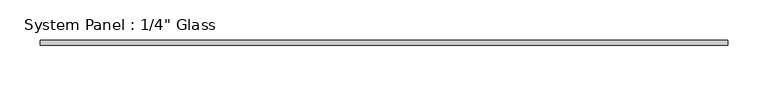
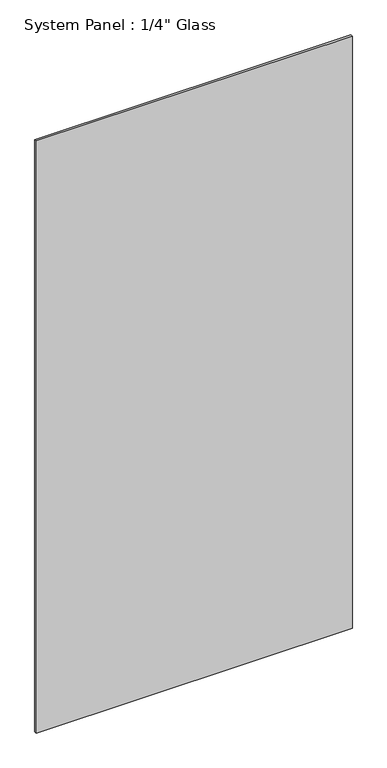
"""IFC4 building model written with IfcOpenShell, lengths in millimetres: plate geometry."""

from ifc_helpers import new_model, si_unit, origin, origin_with_axes, place, context, project, spatial, polyline, outline, extrude, source, transform, mapped, element, save


def plate_3b65e878(model_context):
    return source(origin(), model_context, "Body", "SweptSolid", [
        extrude(outline(polyline([(428.3099054, -3.175), (-428.3099054, -3.175), (-428.3099054, 3.175), (428.3099054, 3.175), (428.3099054, -3.175)])), origin_with_axes(), (0.0, 0.0, 1.0), 1695.45),
    ])


if __name__ == "__main__":
    model = new_model("IFC4")
    model_context = context("Model", 3, world=origin())
    ifc_project = project(units=[si_unit("LENGTHUNIT", "METRE", prefix="MILLI")], contexts=[model_context])
    site = spatial("IfcSite", under=ifc_project)
    building = spatial("IfcBuilding", under=site)
    placement = place(None, origin())
    plate_shape = plate_3b65e878(model_context)
    element("IfcPlate", 1, ObjectType="System Panel : 1/4\" Glass", at=placement, inside=building, context=model_context, shape_type="MappedRepresentation", body=[
        mapped(plate_shape, transform((0.0, 0.0, 0.0), x_axis=(1.0, 0.0, 0.0), y_axis=(0.0, 1.0, 0.0), z_axis=(0.0, 0.0, 1.0))),
    ])
    save(model, "model.ifc")
